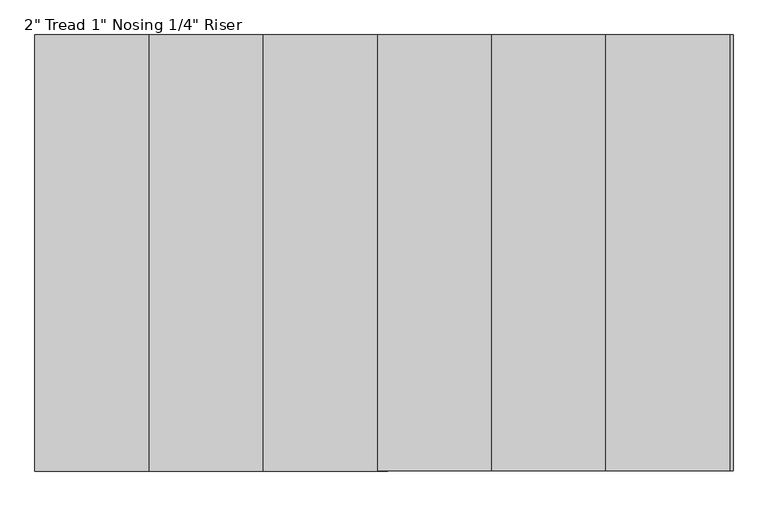
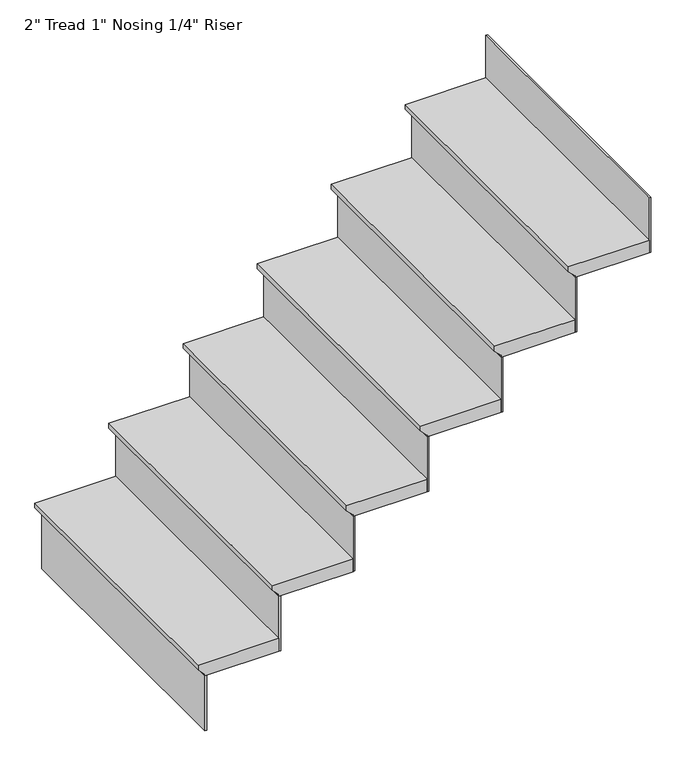
"""IFC4 building model written with IfcOpenShell, lengths in millimetres: stair flight geometry."""

from ifc_helpers import new_model, si_unit, frame, origin, place, context, project, spatial, polyline, outline, extrude, source, transform, mapped, element, save


def stair_flight_8333f6c3(model_context):
    return source(origin(), model_context, "Body", "SweptSolid", [
        extrude(outline(polyline([(1759.8571429, -271.455103), (1759.8571429, -576.255103), (1740.8071429, -576.255103), (1715.4071429, -550.855103), (1709.0571429, -550.855103), (1709.0571429, -271.455103), (1759.8571429, -271.455103)])), frame((0.0, 2312.3572284, 0.0), z_axis=(0.0, 1.0, 0.0), x_axis=(0.0, 0.0, 1.0)), (0.0, 0.0, 1.0), 1066.8),
        extrude(outline(polyline([(-544.505103, 2312.3572284), (-550.855103, 2312.3572284), (-550.855103, 3379.1572284), (-544.505103, 3379.1572284), (-544.505103, 2312.3572284)])), frame((0.0, 0.0, 1489.075), z_axis=(0.0, 0.0, 1.0), x_axis=(1.0, 0.0, 0.0)), (0.0, 0.0, 1.0), 219.9821429),
        extrude(outline(polyline([(1979.8392857, 7.944897), (1979.8392857, -296.855103), (1960.7892857, -296.855103), (1935.3892857, -271.455103), (1929.0392857, -271.455103), (1929.0392857, 7.944897), (1979.8392857, 7.944897)])), frame((0.0, 2312.3572284, 0.0), z_axis=(0.0, 1.0, 0.0), x_axis=(0.0, 0.0, 1.0)), (0.0, 0.0, 1.0), 1066.8),
        extrude(outline(polyline([(-265.105103, 2312.3572284), (-271.455103, 2312.3572284), (-271.455103, 3379.1572284), (-265.105103, 3379.1572284), (-265.105103, 2312.3572284)])), frame((0.0, 0.0, 1709.0571429), z_axis=(0.0, 0.0, 1.0), x_axis=(1.0, 0.0, 0.0)), (0.0, 0.0, 1.0), 219.9821429),
        extrude(outline(polyline([(2199.8214286, 287.344897), (2199.8214286, -17.455103), (2180.7714286, -17.455103), (2155.3714286, 7.944897), (2149.0214286, 7.944897), (2149.0214286, 287.344897), (2199.8214286, 287.344897)])), frame((0.0, 2312.3572284, 0.0), z_axis=(0.0, 1.0, 0.0), x_axis=(0.0, 0.0, 1.0)), (0.0, 0.0, 1.0), 1066.8),
        extrude(outline(polyline([(14.294897, 2312.3572284), (7.944897, 2312.3572284), (7.944897, 3379.1572284), (14.294897, 3379.1572284), (14.294897, 2312.3572284)])), frame((0.0, 0.0, 1929.0392857), z_axis=(0.0, 0.0, 1.0), x_axis=(1.0, 0.0, 0.0)), (0.0, 0.0, 1.0), 219.9821429),
        extrude(outline(polyline([(2419.8035714, 566.744897), (2419.8035714, 261.944897), (2400.7535714, 261.944897), (2375.3535714, 287.344897), (2369.0035714, 287.344897), (2369.0035714, 566.744897), (2419.8035714, 566.744897)])), frame((0.0, 2312.3572284, 0.0), z_axis=(0.0, 1.0, 0.0), x_axis=(0.0, 0.0, 1.0)), (0.0, 0.0, 1.0), 1066.8),
        extrude(outline(polyline([(293.694897, 2312.3572284), (287.344897, 2312.3572284), (287.344897, 3379.1572284), (293.694897, 3379.1572284), (293.694897, 2312.3572284)])), frame((0.0, 0.0, 2149.0214286), z_axis=(0.0, 0.0, 1.0), x_axis=(1.0, 0.0, 0.0)), (0.0, 0.0, 1.0), 219.9821429),
        extrude(outline(polyline([(2639.7857143, 846.144897), (2639.7857143, 541.344897), (2620.7357143, 541.344897), (2595.3357143, 566.744897), (2588.9857143, 566.744897), (2588.9857143, 846.144897), (2639.7857143, 846.144897)])), frame((0.0, 2312.3572284, 0.0), z_axis=(0.0, 1.0, 0.0), x_axis=(0.0, 0.0, 1.0)), (0.0, 0.0, 1.0), 1066.8),
        extrude(outline(polyline([(573.094897, 2312.3572284), (566.744897, 2312.3572284), (566.744897, 3379.1572284), (573.094897, 3379.1572284), (573.094897, 2312.3572284)])), frame((0.0, 0.0, 2369.0035714), z_axis=(0.0, 0.0, 1.0), x_axis=(1.0, 0.0, 0.0)), (0.0, 0.0, 1.0), 219.9821429),
        extrude(outline(polyline([(2859.7678571, 1125.544897), (2859.7678571, 820.744897), (2840.7178571, 820.744897), (2815.3178571, 846.144897), (2808.9678571, 846.144897), (2808.9678571, 1125.544897), (2859.7678571, 1125.544897)])), frame((0.0, 2312.3572284, 0.0), z_axis=(0.0, 1.0, 0.0), x_axis=(0.0, 0.0, 1.0)), (0.0, 0.0, 1.0), 1066.8),
        extrude(outline(polyline([(852.494897, 2312.3572284), (846.144897, 2312.3572284), (846.144897, 3379.1572284), (852.494897, 3379.1572284), (852.494897, 2312.3572284)])), frame((0.0, 0.0, 2588.9857143), z_axis=(0.0, 0.0, 1.0), x_axis=(1.0, 0.0, 0.0)), (0.0, 0.0, 1.0), 219.9821429),
        extrude(outline(polyline([(1131.894897, 2312.3572284), (1125.544897, 2312.3572284), (1125.544897, 3379.1572284), (1131.894897, 3379.1572284), (1131.894897, 2312.3572284)])), frame((0.0, 0.0, 2808.9678571), z_axis=(0.0, 0.0, 1.0), x_axis=(1.0, 0.0, 0.0)), (0.0, 0.0, 1.0), 219.9821429),
    ])


if __name__ == "__main__":
    model = new_model("IFC4")
    model_context = context("Model", 3, world=origin())
    ifc_project = project(units=[si_unit("LENGTHUNIT", "METRE", prefix="MILLI")], contexts=[model_context])
    site = spatial("IfcSite", under=ifc_project)
    building = spatial("IfcBuilding", under=site)
    placement = place(None, origin())
    stair_flight_shape = stair_flight_8333f6c3(model_context)
    element("IfcStairFlight", 1, ObjectType="2\" Tread 1\" Nosing 1/4\" Riser", at=placement, inside=building, context=model_context, shape_type="MappedRepresentation", body=[
        mapped(stair_flight_shape, transform((0.0, 0.0, 0.0), x_axis=(1.0, 0.0, 0.0), y_axis=(0.0, 1.0, 0.0), z_axis=(0.0, 0.0, 1.0))),
    ])
    save(model, "model.ifc")
